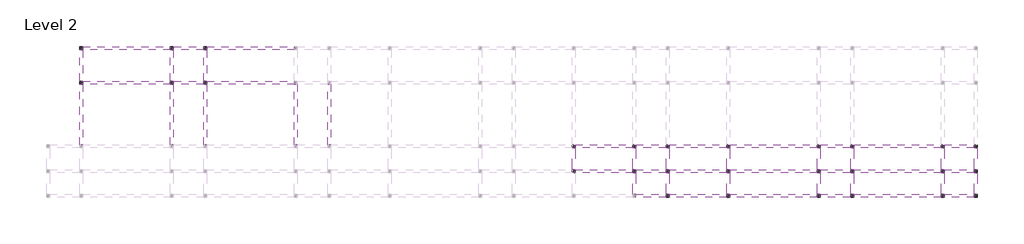
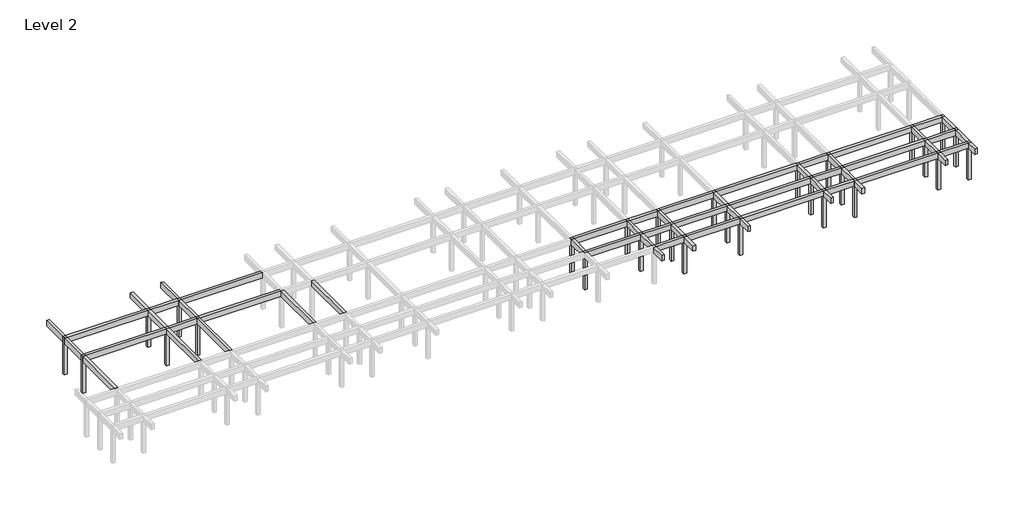
# One storey, part 2 of 3: 49 beams, 28 columns.
"""IFC4 building model written with IfcOpenShell, lengths in millimetres."""

from ifc_helpers import new_model, si_unit, frame, origin, place, context, project, spatial, polyline, outline, extrude, element, save

model = new_model("IFC4")

# Units and contexts
model_context = context("Model", 3, world=origin())
ifc_project = project(units=[si_unit("LENGTHUNIT", "METRE", prefix="MILLI")], contexts=[model_context])

# Site, building, storey
site = spatial("IfcSite", under=ifc_project)
building = spatial("IfcBuilding", under=site)
storey = spatial("IfcBuildingStorey", under=building, Name="Level 2", Elevation=4200.0)

# Beams
placement = place(None, origin())
element("IfcBeam", 1, ObjectType="M_Concrete-Rectangular Beam : 300 x 600mm", at=placement, inside=storey, context=model_context, shape_type="SweptSolid", body=[
    extrude(outline(polyline([(-17004.046467, 5874.2507663), (-16704.046467, 5874.2507663), (-16704.046467, -125.7492337), (-17004.046467, -125.7492337), (-17004.046467, 5874.2507663)])), frame((0.0, 0.0, 7800.0), z_axis=(0.0, 0.0, 1.0), x_axis=(1.0, 0.0, 0.0)), (0.0, 0.0, 1.0), 600.0),
])
element("IfcBeam", 2, ObjectType="M_Concrete-Rectangular Beam : 300 x 600mm", at=placement, inside=storey, context=model_context, shape_type="SweptSolid", body=[
    extrude(outline(polyline([(-17004.046467, 12624.2507663), (-16704.046467, 12624.2507663), (-16704.046467, 9624.2507663), (-17004.046467, 9624.2507663), (-17004.046467, 12624.2507663)])), frame((0.0, 0.0, 7800.0), z_axis=(0.0, 0.0, 1.0), x_axis=(1.0, 0.0, 0.0)), (0.0, 0.0, 1.0), 600.0),
    extrude(outline(polyline([(-17004.046467, 9324.2507663), (-16704.046467, 9324.2507663), (-16704.046467, 6174.2507663), (-17004.046467, 6174.2507663), (-17004.046467, 9324.2507663)])), frame((0.0, 0.0, 7800.0), z_axis=(0.0, 0.0, 1.0), x_axis=(1.0, 0.0, 0.0)), (0.0, 0.0, 1.0), 600.0),
])
element("IfcBeam", 3, ObjectType="M_Concrete-Rectangular Beam : 300 x 600mm", at=placement, inside=storey, context=model_context, shape_type="SweptSolid", body=[
    extrude(outline(polyline([(-8004.046467, 5874.2507663), (-7704.046467, 5874.2507663), (-7704.046467, -125.7492337), (-8004.046467, -125.7492337), (-8004.046467, 5874.2507663)])), frame((0.0, 0.0, 7800.0), z_axis=(0.0, 0.0, 1.0), x_axis=(1.0, 0.0, 0.0)), (0.0, 0.0, 1.0), 600.0),
])
element("IfcBeam", 4, ObjectType="M_Concrete-Rectangular Beam : 300 x 600mm", at=placement, inside=storey, context=model_context, shape_type="SweptSolid", body=[
    extrude(outline(polyline([(-8004.046467, 12624.2507663), (-7704.046467, 12624.2507663), (-7704.046467, 9624.2507663), (-8004.046467, 9624.2507663), (-8004.046467, 12624.2507663)])), frame((0.0, 0.0, 7800.0), z_axis=(0.0, 0.0, 1.0), x_axis=(1.0, 0.0, 0.0)), (0.0, 0.0, 1.0), 600.0),
    extrude(outline(polyline([(-8004.046467, 9324.2507663), (-7704.046467, 9324.2507663), (-7704.046467, 6174.2507663), (-8004.046467, 6174.2507663), (-8004.046467, 9324.2507663)])), frame((0.0, 0.0, 7800.0), z_axis=(0.0, 0.0, 1.0), x_axis=(1.0, 0.0, 0.0)), (0.0, 0.0, 1.0), 600.0),
])
element("IfcBeam", 5, ObjectType="M_Concrete-Rectangular Beam : 300 x 600mm", at=placement, inside=storey, context=model_context, shape_type="SweptSolid", body=[
    extrude(outline(polyline([(-4704.046467, 5874.2507663), (-4404.046467, 5874.2507663), (-4404.046467, -125.7492337), (-4704.046467, -125.7492337), (-4704.046467, 5874.2507663)])), frame((0.0, 0.0, 7800.0), z_axis=(0.0, 0.0, 1.0), x_axis=(1.0, 0.0, 0.0)), (0.0, 0.0, 1.0), 600.0),
])
element("IfcBeam", 6, ObjectType="M_Concrete-Rectangular Beam : 300 x 600mm", at=placement, inside=storey, context=model_context, shape_type="SweptSolid", body=[
    extrude(outline(polyline([(-4704.046467, 12624.2507663), (-4404.046467, 12624.2507663), (-4404.046467, 9624.2507663), (-4704.046467, 9624.2507663), (-4704.046467, 12624.2507663)])), frame((0.0, 0.0, 7800.0), z_axis=(0.0, 0.0, 1.0), x_axis=(1.0, 0.0, 0.0)), (0.0, 0.0, 1.0), 600.0),
    extrude(outline(polyline([(-4704.046467, 9324.2507663), (-4404.046467, 9324.2507663), (-4404.046467, 6174.2507663), (-4704.046467, 6174.2507663), (-4704.046467, 9324.2507663)])), frame((0.0, 0.0, 7800.0), z_axis=(0.0, 0.0, 1.0), x_axis=(1.0, 0.0, 0.0)), (0.0, 0.0, 1.0), 600.0),
])
element("IfcBeam", 7, ObjectType="M_Concrete-Rectangular Beam : 300 x 600mm", at=placement, inside=storey, context=model_context, shape_type="SweptSolid", body=[
    extrude(outline(polyline([(4295.953533, 5874.2507663), (4595.953533, 5874.2507663), (4595.953533, -125.7492337), (4295.953533, -125.7492337), (4295.953533, 5874.2507663)])), frame((0.0, 0.0, 7800.0), z_axis=(0.0, 0.0, 1.0), x_axis=(1.0, 0.0, 0.0)), (0.0, 0.0, 1.0), 600.0),
])
element("IfcBeam", 8, ObjectType="M_Concrete-Rectangular Beam : 300 x 600mm", at=placement, inside=storey, context=model_context, shape_type="SweptSolid", body=[
    extrude(outline(polyline([(7595.953533, 5874.2507663), (7895.953533, 5874.2507663), (7895.953533, -125.7492337), (7595.953533, -125.7492337), (7595.953533, 5874.2507663)])), frame((0.0, 0.0, 7800.0), z_axis=(0.0, 0.0, 1.0), x_axis=(1.0, 0.0, 0.0)), (0.0, 0.0, 1.0), 600.0),
])
element("IfcBeam", 9, ObjectType="M_Concrete-Rectangular Beam : 300 x 600mm", at=placement, inside=storey, context=model_context, shape_type="SweptSolid", body=[
    extrude(outline(polyline([(31895.953533, -425.7492337), (32195.953533, -425.7492337), (32195.953533, -2625.7492337), (31895.953533, -2625.7492337), (31895.953533, -425.7492337)])), frame((0.0, 0.0, 7800.0), z_axis=(0.0, 0.0, 1.0), x_axis=(1.0, 0.0, 0.0)), (0.0, 0.0, 1.0), 600.0),
])
element("IfcBeam", 10, ObjectType="M_Concrete-Rectangular Beam : 300 x 600mm", at=placement, inside=storey, context=model_context, shape_type="SweptSolid", body=[
    extrude(outline(polyline([(38195.953533, -6875.7492337), (37895.953533, -6875.7492337), (37895.953533, -5325.7492337), (38195.953533, -5325.7492337), (38195.953533, -6875.7492337)])), frame((0.0, 0.0, 7800.0), z_axis=(0.0, 0.0, 1.0), x_axis=(1.0, 0.0, 0.0)), (0.0, 0.0, 1.0), 600.0),
    extrude(outline(polyline([(37895.953533, -2925.7492337), (38195.953533, -2925.7492337), (38195.953533, -5025.7492337), (37895.953533, -5025.7492337), (37895.953533, -2925.7492337)])), frame((0.0, 0.0, 7800.0), z_axis=(0.0, 0.0, 1.0), x_axis=(1.0, 0.0, 0.0)), (0.0, 0.0, 1.0), 600.0),
])
element("IfcBeam", 11, ObjectType="M_Concrete-Rectangular Beam : 300 x 600mm", at=placement, inside=storey, context=model_context, shape_type="SweptSolid", body=[
    extrude(outline(polyline([(37895.953533, -425.7492337), (38195.953533, -425.7492337), (38195.953533, -2625.7492337), (37895.953533, -2625.7492337), (37895.953533, -425.7492337)])), frame((0.0, 0.0, 7800.0), z_axis=(0.0, 0.0, 1.0), x_axis=(1.0, 0.0, 0.0)), (0.0, 0.0, 1.0), 600.0),
])
element("IfcBeam", 12, ObjectType="M_Concrete-Rectangular Beam : 300 x 600mm", at=placement, inside=storey, context=model_context, shape_type="SweptSolid", body=[
    extrude(outline(polyline([(41495.953533, -6975.7492337), (41195.953533, -6975.7492337), (41195.953533, -5325.7492337), (41495.953533, -5325.7492337), (41495.953533, -6975.7492337)])), frame((0.0, 0.0, 7800.0), z_axis=(0.0, 0.0, 1.0), x_axis=(1.0, 0.0, 0.0)), (0.0, 0.0, 1.0), 600.0),
    extrude(outline(polyline([(41195.953533, -2925.7492337), (41495.953533, -2925.7492337), (41495.953533, -5025.7492337), (41195.953533, -5025.7492337), (41195.953533, -2925.7492337)])), frame((0.0, 0.0, 7800.0), z_axis=(0.0, 0.0, 1.0), x_axis=(1.0, 0.0, 0.0)), (0.0, 0.0, 1.0), 600.0),
])
element("IfcBeam", 13, ObjectType="M_Concrete-Rectangular Beam : 300 x 600mm", at=placement, inside=storey, context=model_context, shape_type="SweptSolid", body=[
    extrude(outline(polyline([(41195.953533, -425.7492337), (41495.953533, -425.7492337), (41495.953533, -2625.7492337), (41195.953533, -2625.7492337), (41195.953533, -425.7492337)])), frame((0.0, 0.0, 7800.0), z_axis=(0.0, 0.0, 1.0), x_axis=(1.0, 0.0, 0.0)), (0.0, 0.0, 1.0), 600.0),
])
element("IfcBeam", 14, ObjectType="M_Concrete-Rectangular Beam : 300 x 600mm", at=placement, inside=storey, context=model_context, shape_type="SweptSolid", body=[
    extrude(outline(polyline([(47495.953533, -6775.7492337), (47195.953533, -6775.7492337), (47195.953533, -5325.7492337), (47495.953533, -5325.7492337), (47495.953533, -6775.7492337)])), frame((0.0, 0.0, 7800.0), z_axis=(0.0, 0.0, 1.0), x_axis=(1.0, 0.0, 0.0)), (0.0, 0.0, 1.0), 600.0),
    extrude(outline(polyline([(47195.953533, -2925.7492337), (47495.953533, -2925.7492337), (47495.953533, -5025.7492337), (47195.953533, -5025.7492337), (47195.953533, -2925.7492337)])), frame((0.0, 0.0, 7800.0), z_axis=(0.0, 0.0, 1.0), x_axis=(1.0, 0.0, 0.0)), (0.0, 0.0, 1.0), 600.0),
])
element("IfcBeam", 15, ObjectType="M_Concrete-Rectangular Beam : 300 x 600mm", at=placement, inside=storey, context=model_context, shape_type="SweptSolid", body=[
    extrude(outline(polyline([(47195.953533, -425.7492337), (47495.953533, -425.7492337), (47495.953533, -2625.7492337), (47195.953533, -2625.7492337), (47195.953533, -425.7492337)])), frame((0.0, 0.0, 7800.0), z_axis=(0.0, 0.0, 1.0), x_axis=(1.0, 0.0, 0.0)), (0.0, 0.0, 1.0), 600.0),
])
element("IfcBeam", 16, ObjectType="M_Concrete-Rectangular Beam : 300 x 600mm", at=placement, inside=storey, context=model_context, shape_type="SweptSolid", body=[
    extrude(outline(polyline([(56495.953533, -6675.7492337), (56195.953533, -6675.7492337), (56195.953533, -5325.7492337), (56495.953533, -5325.7492337), (56495.953533, -6675.7492337)])), frame((0.0, 0.0, 7800.0), z_axis=(0.0, 0.0, 1.0), x_axis=(1.0, 0.0, 0.0)), (0.0, 0.0, 1.0), 600.0),
    extrude(outline(polyline([(56195.953533, -2925.7492337), (56495.953533, -2925.7492337), (56495.953533, -5025.7492337), (56195.953533, -5025.7492337), (56195.953533, -2925.7492337)])), frame((0.0, 0.0, 7800.0), z_axis=(0.0, 0.0, 1.0), x_axis=(1.0, 0.0, 0.0)), (0.0, 0.0, 1.0), 600.0),
])
element("IfcBeam", 17, ObjectType="M_Concrete-Rectangular Beam : 300 x 600mm", at=placement, inside=storey, context=model_context, shape_type="SweptSolid", body=[
    extrude(outline(polyline([(56195.953533, -425.7492337), (56495.953533, -425.7492337), (56495.953533, -2625.7492337), (56195.953533, -2625.7492337), (56195.953533, -425.7492337)])), frame((0.0, 0.0, 7800.0), z_axis=(0.0, 0.0, 1.0), x_axis=(1.0, 0.0, 0.0)), (0.0, 0.0, 1.0), 600.0),
])
element("IfcBeam", 18, ObjectType="M_Concrete-Rectangular Beam : 300 x 600mm", at=placement, inside=storey, context=model_context, shape_type="SweptSolid", body=[
    extrude(outline(polyline([(59795.953533, -6775.7492337), (59495.953533, -6775.7492337), (59495.953533, -5325.7492337), (59795.953533, -5325.7492337), (59795.953533, -6775.7492337)])), frame((0.0, 0.0, 7800.0), z_axis=(0.0, 0.0, 1.0), x_axis=(1.0, 0.0, 0.0)), (0.0, 0.0, 1.0), 600.0),
    extrude(outline(polyline([(59495.953533, -2925.7492337), (59795.953533, -2925.7492337), (59795.953533, -5025.7492337), (59495.953533, -5025.7492337), (59495.953533, -2925.7492337)])), frame((0.0, 0.0, 7800.0), z_axis=(0.0, 0.0, 1.0), x_axis=(1.0, 0.0, 0.0)), (0.0, 0.0, 1.0), 600.0),
])
element("IfcBeam", 19, ObjectType="M_Concrete-Rectangular Beam : 300 x 600mm", at=placement, inside=storey, context=model_context, shape_type="SweptSolid", body=[
    extrude(outline(polyline([(59495.953533, -425.7492337), (59795.953533, -425.7492337), (59795.953533, -2625.7492337), (59495.953533, -2625.7492337), (59495.953533, -425.7492337)])), frame((0.0, 0.0, 7800.0), z_axis=(0.0, 0.0, 1.0), x_axis=(1.0, 0.0, 0.0)), (0.0, 0.0, 1.0), 600.0),
])
element("IfcBeam", 20, ObjectType="M_Concrete-Rectangular Beam : 300 x 600mm", at=placement, inside=storey, context=model_context, shape_type="SweptSolid", body=[
    extrude(outline(polyline([(68795.953533, -6675.7492337), (68495.953533, -6675.7492337), (68495.953533, -5325.7492337), (68795.953533, -5325.7492337), (68795.953533, -6675.7492337)])), frame((0.0, 0.0, 7800.0), z_axis=(0.0, 0.0, 1.0), x_axis=(1.0, 0.0, 0.0)), (0.0, 0.0, 1.0), 600.0),
    extrude(outline(polyline([(68495.953533, -2925.7492337), (68795.953533, -2925.7492337), (68795.953533, -5025.7492337), (68495.953533, -5025.7492337), (68495.953533, -2925.7492337)])), frame((0.0, 0.0, 7800.0), z_axis=(0.0, 0.0, 1.0), x_axis=(1.0, 0.0, 0.0)), (0.0, 0.0, 1.0), 600.0),
])
element("IfcBeam", 21, ObjectType="M_Concrete-Rectangular Beam : 300 x 600mm", at=placement, inside=storey, context=model_context, shape_type="SweptSolid", body=[
    extrude(outline(polyline([(68495.953533, -425.7492337), (68795.953533, -425.7492337), (68795.953533, -2625.7492337), (68495.953533, -2625.7492337), (68495.953533, -425.7492337)])), frame((0.0, 0.0, 7800.0), z_axis=(0.0, 0.0, 1.0), x_axis=(1.0, 0.0, 0.0)), (0.0, 0.0, 1.0), 600.0),
])
element("IfcBeam", 22, ObjectType="M_Concrete-Rectangular Beam : 300 x 600mm", at=placement, inside=storey, context=model_context, shape_type="SweptSolid", body=[
    extrude(outline(polyline([(72095.953533, -6475.7492337), (71795.953533, -6475.7492337), (71795.953533, -5325.7492337), (72095.953533, -5325.7492337), (72095.953533, -6475.7492337)])), frame((0.0, 0.0, 7800.0), z_axis=(0.0, 0.0, 1.0), x_axis=(1.0, 0.0, 0.0)), (0.0, 0.0, 1.0), 600.0),
    extrude(outline(polyline([(71795.953533, -2925.7492337), (72095.953533, -2925.7492337), (72095.953533, -5025.7492337), (71795.953533, -5025.7492337), (71795.953533, -2925.7492337)])), frame((0.0, 0.0, 7800.0), z_axis=(0.0, 0.0, 1.0), x_axis=(1.0, 0.0, 0.0)), (0.0, 0.0, 1.0), 600.0),
])
element("IfcBeam", 23, ObjectType="M_Concrete-Rectangular Beam : 300 x 600mm", at=placement, inside=storey, context=model_context, shape_type="SweptSolid", body=[
    extrude(outline(polyline([(71795.953533, -425.7492337), (72095.953533, -425.7492337), (72095.953533, -2625.7492337), (71795.953533, -2625.7492337), (71795.953533, -425.7492337)])), frame((0.0, 0.0, 7800.0), z_axis=(0.0, 0.0, 1.0), x_axis=(1.0, 0.0, 0.0)), (0.0, 0.0, 1.0), 600.0),
])
element("IfcBeam", 24, ObjectType="M_Concrete-Rectangular Beam : 300 x 600mm", at=placement, inside=storey, context=model_context, shape_type="SweptSolid", body=[
    extrude(outline(polyline([(-16704.046467, 9324.2507663), (-16704.046467, 9624.2507663), (-8004.046467, 9624.2507663), (-8004.046467, 9324.2507663), (-16704.046467, 9324.2507663)])), frame((0.0, 0.0, 7800.0), z_axis=(0.0, 0.0, 1.0), x_axis=(1.0, 0.0, 0.0)), (0.0, 0.0, 1.0), 600.0),
])
element("IfcBeam", 25, ObjectType="M_Concrete-Rectangular Beam : 300 x 600mm", at=placement, inside=storey, context=model_context, shape_type="SweptSolid", body=[
    extrude(outline(polyline([(-7704.046467, 9324.2507663), (-7704.046467, 9624.2507663), (-4704.046467, 9624.2507663), (-4704.046467, 9324.2507663), (-7704.046467, 9324.2507663)])), frame((0.0, 0.0, 7800.0), z_axis=(0.0, 0.0, 1.0), x_axis=(1.0, 0.0, 0.0)), (0.0, 0.0, 1.0), 600.0),
])
element("IfcBeam", 26, ObjectType="M_Concrete-Rectangular Beam : 300 x 600mm", at=placement, inside=storey, context=model_context, shape_type="SweptSolid", body=[
    extrude(outline(polyline([(-4404.046467, 9324.2507663), (-4404.046467, 9624.2507663), (4295.953533, 9624.2507663), (4295.953533, 9324.2507663), (-4404.046467, 9324.2507663)])), frame((0.0, 0.0, 7800.0), z_axis=(0.0, 0.0, 1.0), x_axis=(1.0, 0.0, 0.0)), (0.0, 0.0, 1.0), 600.0),
])
element("IfcBeam", 27, ObjectType="M_Concrete-Rectangular Beam : 300 x 600mm", at=placement, inside=storey, context=model_context, shape_type="SweptSolid", body=[
    extrude(outline(polyline([(-16704.046467, 5874.2507663), (-16704.046467, 6174.2507663), (-8004.046467, 6174.2507663), (-8004.046467, 5874.2507663), (-16704.046467, 5874.2507663)])), frame((0.0, 0.0, 7800.0), z_axis=(0.0, 0.0, 1.0), x_axis=(1.0, 0.0, 0.0)), (0.0, 0.0, 1.0), 600.0),
])
element("IfcBeam", 28, ObjectType="M_Concrete-Rectangular Beam : 300 x 600mm", at=placement, inside=storey, context=model_context, shape_type="SweptSolid", body=[
    extrude(outline(polyline([(-7704.046467, 5874.2507663), (-7704.046467, 6174.2507663), (-4704.046467, 6174.2507663), (-4704.046467, 5874.2507663), (-7704.046467, 5874.2507663)])), frame((0.0, 0.0, 7800.0), z_axis=(0.0, 0.0, 1.0), x_axis=(1.0, 0.0, 0.0)), (0.0, 0.0, 1.0), 600.0),
])
element("IfcBeam", 29, ObjectType="M_Concrete-Rectangular Beam : 300 x 600mm", at=placement, inside=storey, context=model_context, shape_type="SweptSolid", body=[
    extrude(outline(polyline([(-4404.046467, 5874.2507663), (-4404.046467, 6174.2507663), (4295.953533, 6174.2507663), (4295.953533, 5874.2507663), (-4404.046467, 5874.2507663)])), frame((0.0, 0.0, 7800.0), z_axis=(0.0, 0.0, 1.0), x_axis=(1.0, 0.0, 0.0)), (0.0, 0.0, 1.0), 600.0),
])
element("IfcBeam", 30, ObjectType="M_Concrete-Rectangular Beam : 300 x 600mm", at=placement, inside=storey, context=model_context, shape_type="SweptSolid", body=[
    extrude(outline(polyline([(32195.953533, -425.7492337), (32195.953533, -125.7492337), (37895.953533, -125.7492337), (37895.953533, -425.7492337), (32195.953533, -425.7492337)])), frame((0.0, 0.0, 7800.0), z_axis=(0.0, 0.0, 1.0), x_axis=(1.0, 0.0, 0.0)), (0.0, 0.0, 1.0), 600.0),
])
element("IfcBeam", 31, ObjectType="M_Concrete-Rectangular Beam : 300 x 600mm", at=placement, inside=storey, context=model_context, shape_type="SweptSolid", body=[
    extrude(outline(polyline([(38195.953533, -425.7492337), (38195.953533, -125.7492337), (41195.953533, -125.7492337), (41195.953533, -425.7492337), (38195.953533, -425.7492337)])), frame((0.0, 0.0, 7800.0), z_axis=(0.0, 0.0, 1.0), x_axis=(1.0, 0.0, 0.0)), (0.0, 0.0, 1.0), 600.0),
])
element("IfcBeam", 32, ObjectType="M_Concrete-Rectangular Beam : 300 x 600mm", at=placement, inside=storey, context=model_context, shape_type="SweptSolid", body=[
    extrude(outline(polyline([(41495.953533, -425.7492337), (41495.953533, -125.7492337), (47195.953533, -125.7492337), (47195.953533, -425.7492337), (41495.953533, -425.7492337)])), frame((0.0, 0.0, 7800.0), z_axis=(0.0, 0.0, 1.0), x_axis=(1.0, 0.0, 0.0)), (0.0, 0.0, 1.0), 600.0),
])
element("IfcBeam", 33, ObjectType="M_Concrete-Rectangular Beam : 300 x 600mm", at=placement, inside=storey, context=model_context, shape_type="SweptSolid", body=[
    extrude(outline(polyline([(47495.953533, -425.7492337), (47495.953533, -125.7492337), (56195.953533, -125.7492337), (56195.953533, -425.7492337), (47495.953533, -425.7492337)])), frame((0.0, 0.0, 7800.0), z_axis=(0.0, 0.0, 1.0), x_axis=(1.0, 0.0, 0.0)), (0.0, 0.0, 1.0), 600.0),
])
element("IfcBeam", 34, ObjectType="M_Concrete-Rectangular Beam : 300 x 600mm", at=placement, inside=storey, context=model_context, shape_type="SweptSolid", body=[
    extrude(outline(polyline([(56495.953533, -425.7492337), (56495.953533, -125.7492337), (59495.953533, -125.7492337), (59495.953533, -425.7492337), (56495.953533, -425.7492337)])), frame((0.0, 0.0, 7800.0), z_axis=(0.0, 0.0, 1.0), x_axis=(1.0, 0.0, 0.0)), (0.0, 0.0, 1.0), 600.0),
])
element("IfcBeam", 35, ObjectType="M_Concrete-Rectangular Beam : 300 x 600mm", at=placement, inside=storey, context=model_context, shape_type="SweptSolid", body=[
    extrude(outline(polyline([(59795.953533, -425.7492337), (59795.953533, -125.7492337), (68495.953533, -125.7492337), (68495.953533, -425.7492337), (59795.953533, -425.7492337)])), frame((0.0, 0.0, 7800.0), z_axis=(0.0, 0.0, 1.0), x_axis=(1.0, 0.0, 0.0)), (0.0, 0.0, 1.0), 600.0),
])
element("IfcBeam", 36, ObjectType="M_Concrete-Rectangular Beam : 300 x 600mm", at=placement, inside=storey, context=model_context, shape_type="SweptSolid", body=[
    extrude(outline(polyline([(68795.953533, -425.7492337), (68795.953533, -125.7492337), (71795.953533, -125.7492337), (71795.953533, -425.7492337), (68795.953533, -425.7492337)])), frame((0.0, 0.0, 7800.0), z_axis=(0.0, 0.0, 1.0), x_axis=(1.0, 0.0, 0.0)), (0.0, 0.0, 1.0), 600.0),
])
element("IfcBeam", 37, ObjectType="M_Concrete-Rectangular Beam : 300 x 600mm", at=placement, inside=storey, context=model_context, shape_type="SweptSolid", body=[
    extrude(outline(polyline([(32195.953533, -2925.7492337), (32195.953533, -2625.7492337), (37895.953533, -2625.7492337), (37895.953533, -2925.7492337), (32195.953533, -2925.7492337)])), frame((0.0, 0.0, 7800.0), z_axis=(0.0, 0.0, 1.0), x_axis=(1.0, 0.0, 0.0)), (0.0, 0.0, 1.0), 600.0),
])
element("IfcBeam", 38, ObjectType="M_Concrete-Rectangular Beam : 300 x 600mm", at=placement, inside=storey, context=model_context, shape_type="SweptSolid", body=[
    extrude(outline(polyline([(38195.953533, -2925.7492337), (38195.953533, -2625.7492337), (41195.953533, -2625.7492337), (41195.953533, -2925.7492337), (38195.953533, -2925.7492337)])), frame((0.0, 0.0, 7800.0), z_axis=(0.0, 0.0, 1.0), x_axis=(1.0, 0.0, 0.0)), (0.0, 0.0, 1.0), 600.0),
])
element("IfcBeam", 39, ObjectType="M_Concrete-Rectangular Beam : 300 x 600mm", at=placement, inside=storey, context=model_context, shape_type="SweptSolid", body=[
    extrude(outline(polyline([(41495.953533, -2925.7492337), (41495.953533, -2625.7492337), (47195.953533, -2625.7492337), (47195.953533, -2925.7492337), (41495.953533, -2925.7492337)])), frame((0.0, 0.0, 7800.0), z_axis=(0.0, 0.0, 1.0), x_axis=(1.0, 0.0, 0.0)), (0.0, 0.0, 1.0), 600.0),
])
element("IfcBeam", 40, ObjectType="M_Concrete-Rectangular Beam : 300 x 600mm", at=placement, inside=storey, context=model_context, shape_type="SweptSolid", body=[
    extrude(outline(polyline([(47495.953533, -2925.7492337), (47495.953533, -2625.7492337), (56195.953533, -2625.7492337), (56195.953533, -2925.7492337), (47495.953533, -2925.7492337)])), frame((0.0, 0.0, 7800.0), z_axis=(0.0, 0.0, 1.0), x_axis=(1.0, 0.0, 0.0)), (0.0, 0.0, 1.0), 600.0),
])
element("IfcBeam", 41, ObjectType="M_Concrete-Rectangular Beam : 300 x 600mm", at=placement, inside=storey, context=model_context, shape_type="SweptSolid", body=[
    extrude(outline(polyline([(56495.953533, -2925.7492337), (56495.953533, -2625.7492337), (59495.953533, -2625.7492337), (59495.953533, -2925.7492337), (56495.953533, -2925.7492337)])), frame((0.0, 0.0, 7800.0), z_axis=(0.0, 0.0, 1.0), x_axis=(1.0, 0.0, 0.0)), (0.0, 0.0, 1.0), 600.0),
])
element("IfcBeam", 42, ObjectType="M_Concrete-Rectangular Beam : 300 x 600mm", at=placement, inside=storey, context=model_context, shape_type="SweptSolid", body=[
    extrude(outline(polyline([(59795.953533, -2925.7492337), (59795.953533, -2625.7492337), (68495.953533, -2625.7492337), (68495.953533, -2925.7492337), (59795.953533, -2925.7492337)])), frame((0.0, 0.0, 7800.0), z_axis=(0.0, 0.0, 1.0), x_axis=(1.0, 0.0, 0.0)), (0.0, 0.0, 1.0), 600.0),
])
element("IfcBeam", 43, ObjectType="M_Concrete-Rectangular Beam : 300 x 600mm", at=placement, inside=storey, context=model_context, shape_type="SweptSolid", body=[
    extrude(outline(polyline([(68795.953533, -2925.7492337), (68795.953533, -2625.7492337), (71795.953533, -2625.7492337), (71795.953533, -2925.7492337), (68795.953533, -2925.7492337)])), frame((0.0, 0.0, 7800.0), z_axis=(0.0, 0.0, 1.0), x_axis=(1.0, 0.0, 0.0)), (0.0, 0.0, 1.0), 600.0),
])
element("IfcBeam", 44, ObjectType="M_Concrete-Rectangular Beam : 300 x 600mm", at=placement, inside=storey, context=model_context, shape_type="SweptSolid", body=[
    extrude(outline(polyline([(38195.953533, -5325.7492337), (38195.953533, -5025.7492337), (41195.953533, -5025.7492337), (41195.953533, -5325.7492337), (38195.953533, -5325.7492337)])), frame((0.0, 0.0, 7800.0), z_axis=(0.0, 0.0, 1.0), x_axis=(1.0, 0.0, 0.0)), (0.0, 0.0, 1.0), 600.0),
])
element("IfcBeam", 45, ObjectType="M_Concrete-Rectangular Beam : 300 x 600mm", at=placement, inside=storey, context=model_context, shape_type="SweptSolid", body=[
    extrude(outline(polyline([(41495.953533, -5325.7492337), (41495.953533, -5025.7492337), (47195.953533, -5025.7492337), (47195.953533, -5325.7492337), (41495.953533, -5325.7492337)])), frame((0.0, 0.0, 7800.0), z_axis=(0.0, 0.0, 1.0), x_axis=(1.0, 0.0, 0.0)), (0.0, 0.0, 1.0), 600.0),
])
element("IfcBeam", 46, ObjectType="M_Concrete-Rectangular Beam : 300 x 600mm", at=placement, inside=storey, context=model_context, shape_type="SweptSolid", body=[
    extrude(outline(polyline([(47495.953533, -5325.7492337), (47495.953533, -5025.7492337), (56195.953533, -5025.7492337), (56195.953533, -5325.7492337), (47495.953533, -5325.7492337)])), frame((0.0, 0.0, 7800.0), z_axis=(0.0, 0.0, 1.0), x_axis=(1.0, 0.0, 0.0)), (0.0, 0.0, 1.0), 600.0),
])
element("IfcBeam", 47, ObjectType="M_Concrete-Rectangular Beam : 300 x 600mm", at=placement, inside=storey, context=model_context, shape_type="SweptSolid", body=[
    extrude(outline(polyline([(56495.953533, -5325.7492337), (56495.953533, -5025.7492337), (59495.953533, -5025.7492337), (59495.953533, -5325.7492337), (56495.953533, -5325.7492337)])), frame((0.0, 0.0, 7800.0), z_axis=(0.0, 0.0, 1.0), x_axis=(1.0, 0.0, 0.0)), (0.0, 0.0, 1.0), 600.0),
])
element("IfcBeam", 48, ObjectType="M_Concrete-Rectangular Beam : 300 x 600mm", at=placement, inside=storey, context=model_context, shape_type="SweptSolid", body=[
    extrude(outline(polyline([(59795.953533, -5325.7492337), (59795.953533, -5025.7492337), (68495.953533, -5025.7492337), (68495.953533, -5325.7492337), (59795.953533, -5325.7492337)])), frame((0.0, 0.0, 7800.0), z_axis=(0.0, 0.0, 1.0), x_axis=(1.0, 0.0, 0.0)), (0.0, 0.0, 1.0), 600.0),
])
element("IfcBeam", 49, ObjectType="M_Concrete-Rectangular Beam : 300 x 600mm", at=placement, inside=storey, context=model_context, shape_type="SweptSolid", body=[
    extrude(outline(polyline([(68795.953533, -5325.7492337), (68795.953533, -5025.7492337), (71795.953533, -5025.7492337), (71795.953533, -5325.7492337), (68795.953533, -5325.7492337)])), frame((0.0, 0.0, 7800.0), z_axis=(0.0, 0.0, 1.0), x_axis=(1.0, 0.0, 0.0)), (0.0, 0.0, 1.0), 600.0),
])

# Columns
element("IfcColumn", 50, ObjectType="M_Concrete-Square-Column : 300 x 300mm", at=placement, inside=storey, context=model_context, shape_type="SweptSolid", body=[
    extrude(outline(polyline([(-16704.046467, 9624.2507663), (-16704.046467, 9324.2507663), (-17004.046467, 9324.2507663), (-17004.046467, 9624.2507663), (-16704.046467, 9624.2507663)])), frame((0.0, 0.0, 4200.0), z_axis=(0.0, 0.0, 1.0), x_axis=(1.0, 0.0, 0.0)), (0.0, 0.0, 1.0), 4200.0),
])
element("IfcColumn", 51, ObjectType="M_Concrete-Square-Column : 300 x 300mm", at=placement, inside=storey, context=model_context, shape_type="SweptSolid", body=[
    extrude(outline(polyline([(-16704.046467, 6174.2507663), (-16704.046467, 5874.2507663), (-17004.046467, 5874.2507663), (-17004.046467, 6174.2507663), (-16704.046467, 6174.2507663)])), frame((0.0, 0.0, 4200.0), z_axis=(0.0, 0.0, 1.0), x_axis=(1.0, 0.0, 0.0)), (0.0, 0.0, 1.0), 4200.0),
])
element("IfcColumn", 52, ObjectType="M_Concrete-Square-Column : 300 x 300mm", at=placement, inside=storey, context=model_context, shape_type="SweptSolid", body=[
    extrude(outline(polyline([(-7704.046467, 9624.2507663), (-7704.046467, 9324.2507663), (-8004.046467, 9324.2507663), (-8004.046467, 9624.2507663), (-7704.046467, 9624.2507663)])), frame((0.0, 0.0, 4200.0), z_axis=(0.0, 0.0, 1.0), x_axis=(1.0, 0.0, 0.0)), (0.0, 0.0, 1.0), 4200.0),
])
element("IfcColumn", 53, ObjectType="M_Concrete-Square-Column : 300 x 300mm", at=placement, inside=storey, context=model_context, shape_type="SweptSolid", body=[
    extrude(outline(polyline([(-7704.046467, 6174.2507663), (-7704.046467, 5874.2507663), (-8004.046467, 5874.2507663), (-8004.046467, 6174.2507663), (-7704.046467, 6174.2507663)])), frame((0.0, 0.0, 4200.0), z_axis=(0.0, 0.0, 1.0), x_axis=(1.0, 0.0, 0.0)), (0.0, 0.0, 1.0), 4200.0),
])
element("IfcColumn", 54, ObjectType="M_Concrete-Square-Column : 300 x 300mm", at=placement, inside=storey, context=model_context, shape_type="SweptSolid", body=[
    extrude(outline(polyline([(-4404.046467, 9624.2507663), (-4404.046467, 9324.2507663), (-4704.046467, 9324.2507663), (-4704.046467, 9624.2507663), (-4404.046467, 9624.2507663)])), frame((0.0, 0.0, 4200.0), z_axis=(0.0, 0.0, 1.0), x_axis=(1.0, 0.0, 0.0)), (0.0, 0.0, 1.0), 4200.0),
])
element("IfcColumn", 55, ObjectType="M_Concrete-Square-Column : 300 x 300mm", at=placement, inside=storey, context=model_context, shape_type="SweptSolid", body=[
    extrude(outline(polyline([(-4404.046467, 6174.2507663), (-4404.046467, 5874.2507663), (-4704.046467, 5874.2507663), (-4704.046467, 6174.2507663), (-4404.046467, 6174.2507663)])), frame((0.0, 0.0, 4200.0), z_axis=(0.0, 0.0, 1.0), x_axis=(1.0, 0.0, 0.0)), (0.0, 0.0, 1.0), 4200.0),
])
element("IfcColumn", 56, ObjectType="M_Concrete-Square-Column : 300 x 300mm", at=placement, inside=storey, context=model_context, shape_type="SweptSolid", body=[
    extrude(outline(polyline([(32195.953533, -125.7492337), (32195.953533, -425.7492337), (31895.953533, -425.7492337), (31895.953533, -125.7492337), (32195.953533, -125.7492337)])), frame((0.0, 0.0, 4200.0), z_axis=(0.0, 0.0, 1.0), x_axis=(1.0, 0.0, 0.0)), (0.0, 0.0, 1.0), 4200.0),
])
element("IfcColumn", 57, ObjectType="M_Concrete-Square-Column : 300 x 300mm", at=placement, inside=storey, context=model_context, shape_type="SweptSolid", body=[
    extrude(outline(polyline([(32195.953533, -2625.7492337), (32195.953533, -2925.7492337), (31895.953533, -2925.7492337), (31895.953533, -2625.7492337), (32195.953533, -2625.7492337)])), frame((0.0, 0.0, 4200.0), z_axis=(0.0, 0.0, 1.0), x_axis=(1.0, 0.0, 0.0)), (0.0, 0.0, 1.0), 4200.0),
])
element("IfcColumn", 58, ObjectType="M_Concrete-Square-Column : 300 x 300mm", at=placement, inside=storey, context=model_context, shape_type="SweptSolid", body=[
    extrude(outline(polyline([(38195.953533, -125.7492337), (38195.953533, -425.7492337), (37895.953533, -425.7492337), (37895.953533, -125.7492337), (38195.953533, -125.7492337)])), frame((0.0, 0.0, 4200.0), z_axis=(0.0, 0.0, 1.0), x_axis=(1.0, 0.0, 0.0)), (0.0, 0.0, 1.0), 4200.0),
])
element("IfcColumn", 59, ObjectType="M_Concrete-Square-Column : 300 x 300mm", at=placement, inside=storey, context=model_context, shape_type="SweptSolid", body=[
    extrude(outline(polyline([(38195.953533, -2625.7492337), (38195.953533, -2925.7492337), (37895.953533, -2925.7492337), (37895.953533, -2625.7492337), (38195.953533, -2625.7492337)])), frame((0.0, 0.0, 4200.0), z_axis=(0.0, 0.0, 1.0), x_axis=(1.0, 0.0, 0.0)), (0.0, 0.0, 1.0), 4200.0),
])
element("IfcColumn", 60, ObjectType="M_Concrete-Square-Column : 300 x 300mm", at=placement, inside=storey, context=model_context, shape_type="SweptSolid", body=[
    extrude(outline(polyline([(41495.953533, -125.7492337), (41495.953533, -425.7492337), (41195.953533, -425.7492337), (41195.953533, -125.7492337), (41495.953533, -125.7492337)])), frame((0.0, 0.0, 4200.0), z_axis=(0.0, 0.0, 1.0), x_axis=(1.0, 0.0, 0.0)), (0.0, 0.0, 1.0), 4200.0),
])
element("IfcColumn", 61, ObjectType="M_Concrete-Square-Column : 300 x 300mm", at=placement, inside=storey, context=model_context, shape_type="SweptSolid", body=[
    extrude(outline(polyline([(41495.953533, -2625.7492337), (41495.953533, -2925.7492337), (41195.953533, -2925.7492337), (41195.953533, -2625.7492337), (41495.953533, -2625.7492337)])), frame((0.0, 0.0, 4200.0), z_axis=(0.0, 0.0, 1.0), x_axis=(1.0, 0.0, 0.0)), (0.0, 0.0, 1.0), 4200.0),
])
element("IfcColumn", 62, ObjectType="M_Concrete-Square-Column : 300 x 300mm", at=placement, inside=storey, context=model_context, shape_type="SweptSolid", body=[
    extrude(outline(polyline([(41495.953533, -5025.7492337), (41495.953533, -5325.7492337), (41195.953533, -5325.7492337), (41195.953533, -5025.7492337), (41495.953533, -5025.7492337)])), frame((0.0, 0.0, 4200.0), z_axis=(0.0, 0.0, 1.0), x_axis=(1.0, 0.0, 0.0)), (0.0, 0.0, 1.0), 4200.0),
])
element("IfcColumn", 63, ObjectType="M_Concrete-Square-Column : 300 x 300mm", at=placement, inside=storey, context=model_context, shape_type="SweptSolid", body=[
    extrude(outline(polyline([(47495.953533, -125.7492337), (47495.953533, -425.7492337), (47195.953533, -425.7492337), (47195.953533, -125.7492337), (47495.953533, -125.7492337)])), frame((0.0, 0.0, 4200.0), z_axis=(0.0, 0.0, 1.0), x_axis=(1.0, 0.0, 0.0)), (0.0, 0.0, 1.0), 4200.0),
])
element("IfcColumn", 64, ObjectType="M_Concrete-Square-Column : 300 x 300mm", at=placement, inside=storey, context=model_context, shape_type="SweptSolid", body=[
    extrude(outline(polyline([(47495.953533, -2625.7492337), (47495.953533, -2925.7492337), (47195.953533, -2925.7492337), (47195.953533, -2625.7492337), (47495.953533, -2625.7492337)])), frame((0.0, 0.0, 4200.0), z_axis=(0.0, 0.0, 1.0), x_axis=(1.0, 0.0, 0.0)), (0.0, 0.0, 1.0), 4200.0),
])
element("IfcColumn", 65, ObjectType="M_Concrete-Square-Column : 300 x 300mm", at=placement, inside=storey, context=model_context, shape_type="SweptSolid", body=[
    extrude(outline(polyline([(47495.953533, -5025.7492337), (47495.953533, -5325.7492337), (47195.953533, -5325.7492337), (47195.953533, -5025.7492337), (47495.953533, -5025.7492337)])), frame((0.0, 0.0, 4200.0), z_axis=(0.0, 0.0, 1.0), x_axis=(1.0, 0.0, 0.0)), (0.0, 0.0, 1.0), 4200.0),
])
element("IfcColumn", 66, ObjectType="M_Concrete-Square-Column : 300 x 300mm", at=placement, inside=storey, context=model_context, shape_type="SweptSolid", body=[
    extrude(outline(polyline([(56495.953533, -125.7492337), (56495.953533, -425.7492337), (56195.953533, -425.7492337), (56195.953533, -125.7492337), (56495.953533, -125.7492337)])), frame((0.0, 0.0, 4200.0), z_axis=(0.0, 0.0, 1.0), x_axis=(1.0, 0.0, 0.0)), (0.0, 0.0, 1.0), 4200.0),
])
element("IfcColumn", 67, ObjectType="M_Concrete-Square-Column : 300 x 300mm", at=placement, inside=storey, context=model_context, shape_type="SweptSolid", body=[
    extrude(outline(polyline([(56495.953533, -2625.7492337), (56495.953533, -2925.7492337), (56195.953533, -2925.7492337), (56195.953533, -2625.7492337), (56495.953533, -2625.7492337)])), frame((0.0, 0.0, 4200.0), z_axis=(0.0, 0.0, 1.0), x_axis=(1.0, 0.0, 0.0)), (0.0, 0.0, 1.0), 4200.0),
])
element("IfcColumn", 68, ObjectType="M_Concrete-Square-Column : 300 x 300mm", at=placement, inside=storey, context=model_context, shape_type="SweptSolid", body=[
    extrude(outline(polyline([(56495.953533, -5025.7492337), (56495.953533, -5325.7492337), (56195.953533, -5325.7492337), (56195.953533, -5025.7492337), (56495.953533, -5025.7492337)])), frame((0.0, 0.0, 4200.0), z_axis=(0.0, 0.0, 1.0), x_axis=(1.0, 0.0, 0.0)), (0.0, 0.0, 1.0), 4200.0),
])
element("IfcColumn", 69, ObjectType="M_Concrete-Square-Column : 300 x 300mm", at=placement, inside=storey, context=model_context, shape_type="SweptSolid", body=[
    extrude(outline(polyline([(59795.953533, -125.7492337), (59795.953533, -425.7492337), (59495.953533, -425.7492337), (59495.953533, -125.7492337), (59795.953533, -125.7492337)])), frame((0.0, 0.0, 4200.0), z_axis=(0.0, 0.0, 1.0), x_axis=(1.0, 0.0, 0.0)), (0.0, 0.0, 1.0), 4200.0),
])
element("IfcColumn", 70, ObjectType="M_Concrete-Square-Column : 300 x 300mm", at=placement, inside=storey, context=model_context, shape_type="SweptSolid", body=[
    extrude(outline(polyline([(59795.953533, -2625.7492337), (59795.953533, -2925.7492337), (59495.953533, -2925.7492337), (59495.953533, -2625.7492337), (59795.953533, -2625.7492337)])), frame((0.0, 0.0, 4200.0), z_axis=(0.0, 0.0, 1.0), x_axis=(1.0, 0.0, 0.0)), (0.0, 0.0, 1.0), 4200.0),
])
element("IfcColumn", 71, ObjectType="M_Concrete-Square-Column : 300 x 300mm", at=placement, inside=storey, context=model_context, shape_type="SweptSolid", body=[
    extrude(outline(polyline([(59795.953533, -5025.7492337), (59795.953533, -5325.7492337), (59495.953533, -5325.7492337), (59495.953533, -5025.7492337), (59795.953533, -5025.7492337)])), frame((0.0, 0.0, 4200.0), z_axis=(0.0, 0.0, 1.0), x_axis=(1.0, 0.0, 0.0)), (0.0, 0.0, 1.0), 4200.0),
])
element("IfcColumn", 72, ObjectType="M_Concrete-Square-Column : 300 x 300mm", at=placement, inside=storey, context=model_context, shape_type="SweptSolid", body=[
    extrude(outline(polyline([(68795.953533, -125.7492337), (68795.953533, -425.7492337), (68495.953533, -425.7492337), (68495.953533, -125.7492337), (68795.953533, -125.7492337)])), frame((0.0, 0.0, 4200.0), z_axis=(0.0, 0.0, 1.0), x_axis=(1.0, 0.0, 0.0)), (0.0, 0.0, 1.0), 4200.0),
])
element("IfcColumn", 73, ObjectType="M_Concrete-Square-Column : 300 x 300mm", at=placement, inside=storey, context=model_context, shape_type="SweptSolid", body=[
    extrude(outline(polyline([(68795.953533, -2625.7492337), (68795.953533, -2925.7492337), (68495.953533, -2925.7492337), (68495.953533, -2625.7492337), (68795.953533, -2625.7492337)])), frame((0.0, 0.0, 4200.0), z_axis=(0.0, 0.0, 1.0), x_axis=(1.0, 0.0, 0.0)), (0.0, 0.0, 1.0), 4200.0),
])
element("IfcColumn", 74, ObjectType="M_Concrete-Square-Column : 300 x 300mm", at=placement, inside=storey, context=model_context, shape_type="SweptSolid", body=[
    extrude(outline(polyline([(68795.953533, -5025.7492337), (68795.953533, -5325.7492337), (68495.953533, -5325.7492337), (68495.953533, -5025.7492337), (68795.953533, -5025.7492337)])), frame((0.0, 0.0, 4200.0), z_axis=(0.0, 0.0, 1.0), x_axis=(1.0, 0.0, 0.0)), (0.0, 0.0, 1.0), 4200.0),
])
element("IfcColumn", 75, ObjectType="M_Concrete-Square-Column : 300 x 300mm", at=placement, inside=storey, context=model_context, shape_type="SweptSolid", body=[
    extrude(outline(polyline([(72095.953533, -125.7492337), (72095.953533, -425.7492337), (71795.953533, -425.7492337), (71795.953533, -125.7492337), (72095.953533, -125.7492337)])), frame((0.0, 0.0, 4200.0), z_axis=(0.0, 0.0, 1.0), x_axis=(1.0, 0.0, 0.0)), (0.0, 0.0, 1.0), 4200.0),
])
element("IfcColumn", 76, ObjectType="M_Concrete-Square-Column : 300 x 300mm", at=placement, inside=storey, context=model_context, shape_type="SweptSolid", body=[
    extrude(outline(polyline([(72095.953533, -2625.7492337), (72095.953533, -2925.7492337), (71795.953533, -2925.7492337), (71795.953533, -2625.7492337), (72095.953533, -2625.7492337)])), frame((0.0, 0.0, 4200.0), z_axis=(0.0, 0.0, 1.0), x_axis=(1.0, 0.0, 0.0)), (0.0, 0.0, 1.0), 4200.0),
])
element("IfcColumn", 77, ObjectType="M_Concrete-Square-Column : 300 x 300mm", at=placement, inside=storey, context=model_context, shape_type="SweptSolid", body=[
    extrude(outline(polyline([(72095.953533, -5025.7492337), (72095.953533, -5325.7492337), (71795.953533, -5325.7492337), (71795.953533, -5025.7492337), (72095.953533, -5025.7492337)])), frame((0.0, 0.0, 4200.0), z_axis=(0.0, 0.0, 1.0), x_axis=(1.0, 0.0, 0.0)), (0.0, 0.0, 1.0), 4200.0),
])

save(model, "model.ifc")
